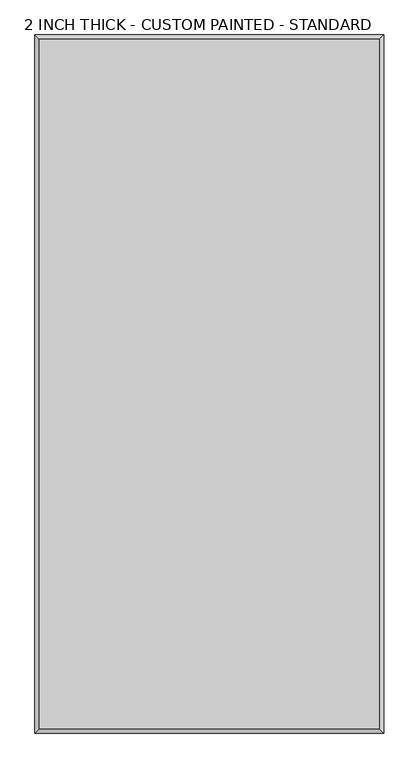
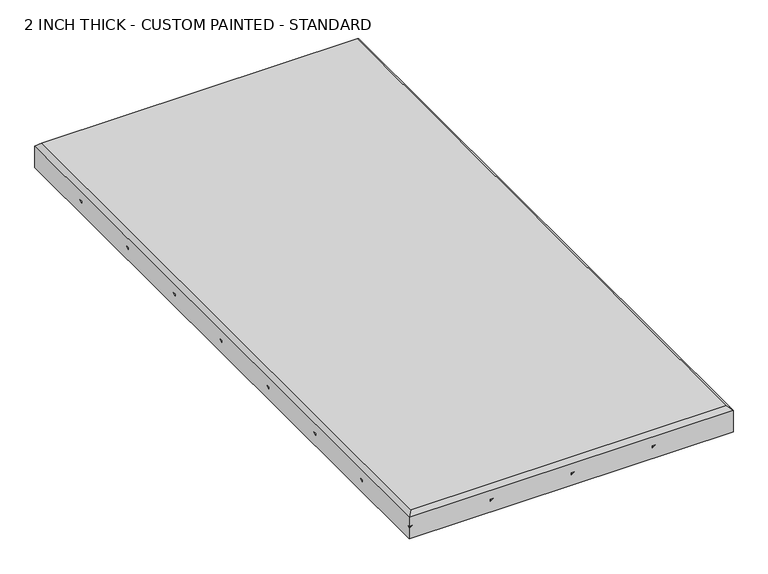
"""IFC4 building model written with IfcOpenShell, lengths in millimetres: proxy geometry, 2 INCH THICK - CUSTOM PAINTED - STANDARD."""

from ifc_helpers import new_model, si_unit, origin, place, context, project, spatial, faceted_brep, source, transform, mapped, element, save


def proxy_2_inch_thick_custom_painted_standard_887e6299(model_context):
    return source(origin(), model_context, "Body", "Brep", [
        faceted_brep([(296.799, 601.599, 50.8), (-296.799, 601.599, 50.8), (-296.799, -601.599, 50.8), (296.799, -601.599, 50.8), (-304.8, 609.6, 0.0), (304.8, 609.6, 0.0), (304.8, -609.6, 0.0), (-304.8, -609.6, 0.0), (-304.8, -609.6, 21.3995), (-304.8, -603.9424386, 25.4), (-304.8, -609.6, 25.4), (-304.8, -609.6, 42.799), (-304.8, 609.6, 42.799), (-304.8, 457.1995174, 25.4), (-304.8, 457.1995174, 21.3995), (-304.8, 462.8580948, 25.4), (-304.8, 304.8000254, 25.4), (-304.8, 304.8000254, 21.3995), (-304.8, 310.4575868, 25.4), (-304.8, 152.4000254, 25.4), (-304.8, 152.4000254, 21.3995), (-304.8, 158.0575836, 25.4), (-304.8, 5.08e-05, 25.4), (-304.8, 5.08e-05, 21.3995), (-304.8, 5.6575614, 25.4), (-304.8, -152.3999746, 25.4), (-304.8, -152.3999746, 21.3995), (-304.8, -146.7424132, 25.4), (-304.8, -304.7999746, 25.4), (-304.8, -304.7999746, 21.3995), (-304.8, -299.1424132, 25.4), (-304.8, -457.1999746, 25.4), (-304.8, -457.1999746, 21.3995), (-304.8, -451.5424132, 25.4), (304.8, -609.6, 42.799), (-299.1424386, -609.6, 25.4), (-152.4010414, -609.6, 21.3995), (-152.4010414, -609.6, 25.4), (-146.742464, -609.6, 25.4), (0.0, -609.6, 21.3995), (0.0, -609.6, 25.4), (5.6575611, -609.6, 25.4), (152.4004826, -609.6, 21.3995), (152.4004826, -609.6, 25.4), (158.0580345, -609.6, 25.4), (304.8, 609.6, 21.3995), (304.8, 603.9424386, 25.4), (304.8, 609.6, 25.4), (304.8, 609.6, 42.799), (304.8, 457.2000254, 25.4), (304.8, 457.2000254, 21.3995), (304.8, 451.542464, 25.4), (304.8, 304.8000254, 25.4), (304.8, 304.8000254, 21.3995), (304.8, 299.142464, 25.4), (304.8, 152.4000254, 25.4), (304.8, 152.4000254, 21.3995), (304.8, 146.742464, 25.4), (304.8, 0.0, 25.4), (304.8, 0.0, 21.3995), (304.8, -5.6575614, 25.4), (304.8, -152.3999746, 25.4), (304.8, -152.3999746, 21.3995), (304.8, -158.057536, 25.4), (304.8, -304.7999746, 25.4), (304.8, -304.7999746, 21.3995), (304.8, -310.4575362, 25.4), (304.8, -457.1999746, 25.4), (304.8, -457.1999746, 21.3995), (304.8, -462.8575454, 25.4), (299.1424386, 609.6, 25.4), (-152.4005334, 609.6, 21.3995), (-152.4005334, 609.6, 25.4), (-158.0580948, 609.6, 25.4), (-2.54e-05, 609.6, 21.3995), (-2.54e-05, 609.6, 25.4), (-5.6575868, 609.6, 25.4), (152.4004826, 609.6, 21.3995), (152.4004826, 609.6, 25.4), (146.7429181, 609.6, 25.4), (-149.5717527, 606.7712193, 25.4), (-301.9717273, 454.3712447, 25.4), (2.8287553, 606.7712193, 25.4), (-301.9712193, 301.9712447, 25.4), (155.2292617, 606.7712178, 25.4), (-301.9712209, 149.5712432, 25.4), (-301.9711939, -2.8287553, 25.4), (301.9712193, 460.0288061, 25.4), (-301.9712193, -155.2287553, 25.4), (301.9712193, 307.6288061, 25.4), (-301.9712193, -307.6287553, 25.4), (301.9712193, 155.2288061, 25.4), (-301.9712193, -460.0287553, 25.4), (301.9712193, 2.8287807, 25.4), (301.9712193, -149.5711939, 25.4), (-155.2293141, -606.7717273, 25.4), (301.9712192, -301.971194, 25.4), (-2.8287808, -606.7712194, 25.4), (301.9712146, -454.3711986, 25.4), (149.5716972, -606.771224, 25.4)], [[[0, 1, 2, 3]], [[4, 5, 6, 7]], [[4, 7, 8, 9, 10, 11, 12], [13, 14, 15], [16, 17, 18], [19, 20, 21], [22, 23, 24], [25, 26, 27], [28, 29, 30], [31, 32, 33]], [[7, 6, 34, 11, 10, 35, 8], [36, 37, 38], [39, 40, 41], [42, 43, 44]], [[6, 5, 45, 46, 47, 48, 34], [49, 50, 51], [52, 53, 54], [55, 56, 57], [58, 59, 60], [61, 62, 63], [64, 65, 66], [67, 68, 69]], [[5, 4, 12, 48, 47, 70, 45], [71, 72, 73], [74, 75, 76], [77, 78, 79]], [[12, 1, 0, 48]], [[1, 12, 11, 2]], [[2, 11, 34, 3]], [[48, 0, 3, 34]], [[14, 71, 73, 15]], [[80, 71, 14, 81]], [[17, 74, 76, 18]], [[82, 74, 17, 83]], [[20, 77, 79, 21]], [[84, 77, 20, 85]], [[23, 45, 70, 24]], [[23, 86, 46, 45]], [[50, 87, 27, 26]], [[26, 88, 51, 50]], [[53, 89, 30, 29]], [[29, 90, 54, 53]], [[56, 91, 33, 32]], [[32, 92, 57, 56]], [[59, 93, 9, 8]], [[59, 8, 35, 60]], [[62, 94, 95, 36]], [[62, 36, 38, 63]], [[65, 96, 97, 39]], [[65, 39, 41, 66]], [[68, 98, 99, 42]], [[68, 42, 44, 69]], [[71, 80, 72]], [[81, 14, 13]], [[80, 81, 13, 15, 73, 72]], [[74, 82, 75]], [[83, 17, 16]], [[82, 83, 16, 18, 76, 75]], [[77, 84, 78]], [[85, 20, 19]], [[84, 85, 19, 21, 79, 78]], [[86, 23, 22]], [[86, 22, 24, 70, 47, 46]], [[87, 50, 49]], [[88, 26, 25]], [[87, 49, 51, 88, 25, 27]], [[89, 53, 52]], [[90, 29, 28]], [[89, 52, 54, 90, 28, 30]], [[91, 56, 55]], [[92, 32, 31]], [[91, 55, 57, 92, 31, 33]], [[93, 59, 58]], [[93, 58, 60, 35, 10, 9]], [[94, 62, 61]], [[36, 95, 37]], [[95, 94, 61, 63, 38, 37]], [[96, 65, 64]], [[39, 97, 40]], [[97, 96, 64, 66, 41, 40]], [[98, 68, 67]], [[42, 99, 43]], [[99, 98, 67, 69, 44, 43]]]),
    ])


if __name__ == "__main__":
    model = new_model("IFC4")
    model_context = context("Model", 3, world=origin())
    ifc_project = project(units=[si_unit("LENGTHUNIT", "METRE", prefix="MILLI")], contexts=[model_context])
    site = spatial("IfcSite", under=ifc_project)
    building = spatial("IfcBuilding", under=site)
    placement = place(None, origin())
    proxy_2_inch_thick_custom_painted_standard_shape = proxy_2_inch_thick_custom_painted_standard_887e6299(model_context)
    element("IfcBuildingElementProxy", 1, Name="2 INCH THICK - CUSTOM PAINTED - STANDARD", ObjectType="2 INCH THICK - CUSTOM PAINTED - STANDARD", at=placement, inside=building, context=model_context, shape_type="MappedRepresentation", body=[
        mapped(proxy_2_inch_thick_custom_painted_standard_shape, transform((0.0, 0.0, 0.0), x_axis=(1.0, 0.0, 0.0), y_axis=(0.0, 1.0, 0.0), z_axis=(0.0, 0.0, 1.0))),
    ])
    save(model, "model.ifc")
